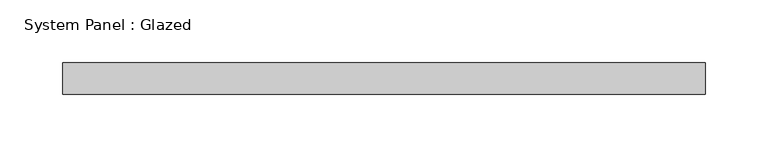
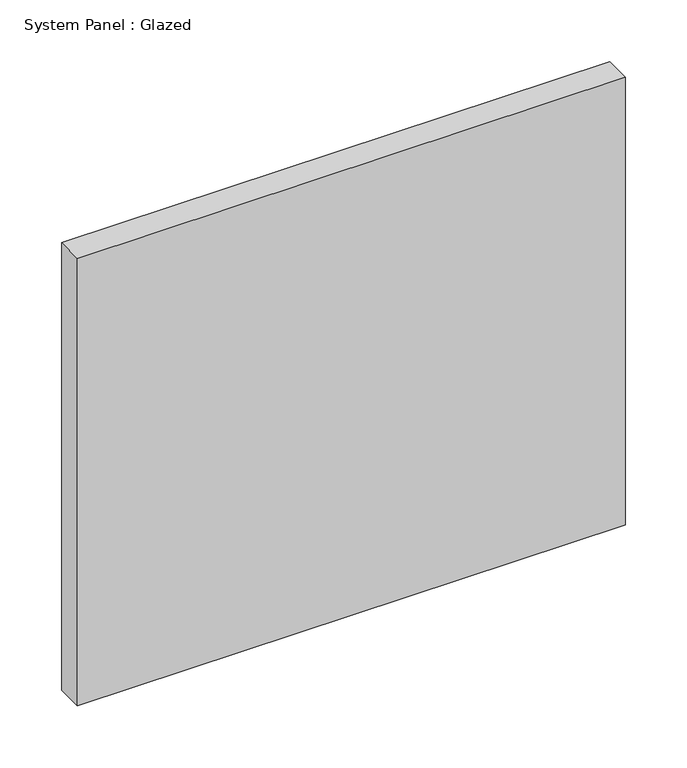
"""IFC4 building model written with IfcOpenShell, lengths in millimetres: plate geometry, System Panel : Glazed."""

from ifc_helpers import new_model, si_unit, origin, origin_with_axes, place, context, project, spatial, polyline, outline, extrude, source, transform, mapped, element, save


def system_panel_glazed_435feb3f(model_context):
    return source(origin(), model_context, "Body", "SweptSolid", [
        extrude(outline(polyline([(257.175, -12.7), (-257.175, -12.7), (-257.175, 12.7), (257.175, 12.7), (257.175, -12.7)])), origin_with_axes(), (0.0, 0.0, 1.0), 444.5),
    ])


if __name__ == "__main__":
    model = new_model("IFC4")
    model_context = context("Model", 3, world=origin())
    ifc_project = project(units=[si_unit("LENGTHUNIT", "METRE", prefix="MILLI")], contexts=[model_context])
    site = spatial("IfcSite", under=ifc_project)
    building = spatial("IfcBuilding", under=site)
    placement = place(None, origin())
    system_panel_glazed_shape = system_panel_glazed_435feb3f(model_context)
    element("IfcPlate", 1, ObjectType="System Panel : Glazed", at=placement, inside=building, context=model_context, shape_type="MappedRepresentation", body=[
        mapped(system_panel_glazed_shape, transform((0.0, 0.0, 0.0), x_axis=(1.0, 0.0, 0.0), y_axis=(0.0, 1.0, 0.0), z_axis=(0.0, 0.0, 1.0))),
    ])
    save(model, "model.ifc")
